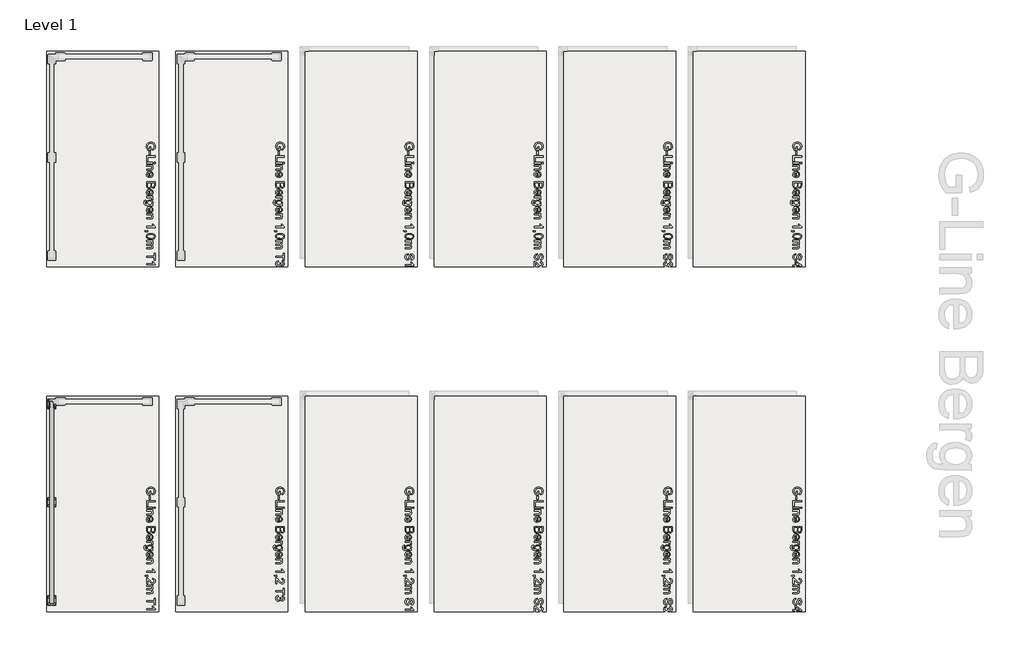
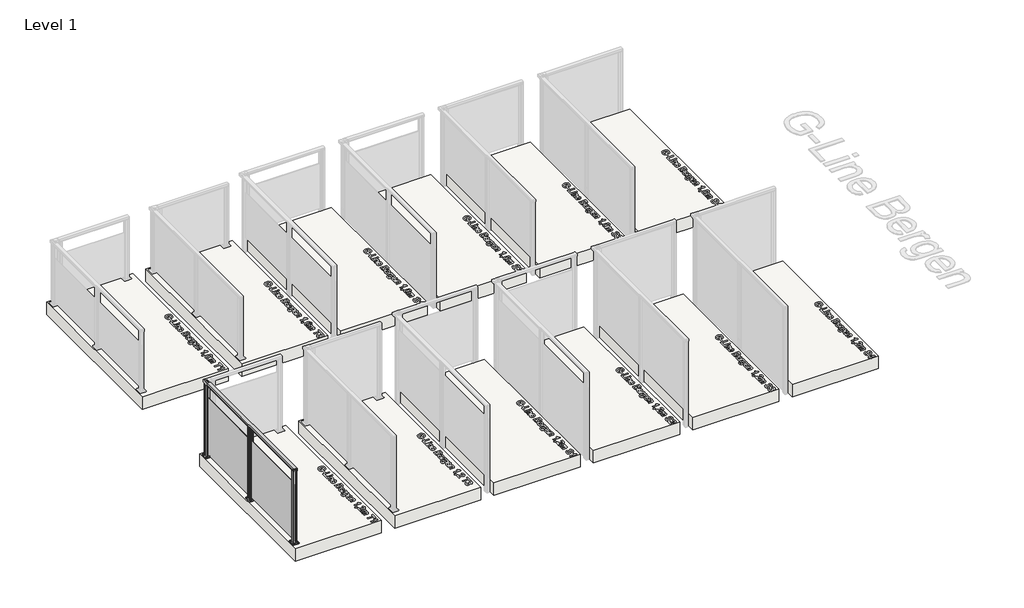
# One storey, part 1 of 13: 12 slabs, 1 railing.
"""IFC4 building model written with IfcOpenShell, lengths in millimetres."""

from ifc_helpers import new_model, si_unit, point, frame, frame_2d, origin, origin_with_axes, place, context, project, spatial, polyline, circle_curve, trimmed, segment, composite_curve, outline, extrude, element, save

model = new_model("IFC4")

# Units and contexts
model_context = context("Model", 3, world=origin())
ifc_project = project(units=[si_unit("LENGTHUNIT", "METRE", prefix="MILLI")], contexts=[model_context])

# Site, building, storey
site = spatial("IfcSite", under=ifc_project)
building = spatial("IfcBuilding", under=site)
storey = spatial("IfcBuildingStorey", under=building, Name="Level 1", Elevation=0.0)

# Railing
placement = place(None, origin())
element("IfcRailing", 1, at=placement, inside=storey, context=model_context, shape_type="SweptSolid", body=[
    extrude(outline(composite_curve([segment(trimmed(circle_curve(frame_2d((57.3214498, -0.0047199)), 57.3235687), [point((5.8609941, -25.2596802))], [point((5.8657742, 25.2599781))], False, "CARTESIAN"), True, "CONTINUOUS"), segment(polyline([(5.8657742, 25.2599781), (32.9764977, 25.2599781), (33.5584294, 24.6780464), (34.1805105, 25.3001274), (42.7501153, 25.3001274), (42.7501153, 23.4951745), (19.5001171, 23.4951745), (19.5001171, -23.4998716), (42.7501153, -23.4998716), (42.7501153, -25.2596802), (34.0305105, -25.2596802), (33.4157275, -24.6448972), (32.8009445, -25.2596802), (5.8609941, -25.2596802)]), True, "CONTINUOUS")], self_intersect=False)), frame((-5736.9909016, -4039.6459103, 1200.0), z_axis=(1.9358301858992035e-12, 1.0, 0.0), x_axis=(0.0, 0.0, -1.0)), (0.0, 0.0, 1.0), 2340.0),
    extrude(outline(polyline([(-5742.0909978, -1699.6459103), (-5733.3309978, -1699.6459103), (-5733.3309978, -4039.6459103), (-5742.0909978, -4039.6459103), (-5742.0909978, -1699.6459103)])), frame((0.0, 0.0, 40.0), z_axis=(0.0, 0.0, 1.0), x_axis=(1.0, 0.0, 0.0)), (0.0, 0.0, 1.0), 910.0),
    extrude(outline(composite_curve([segment(trimmed(circle_curve(frame_2d((-5767.7109978, -2829.6459103)), 11.9621755), [point((-5779.6731733, -2829.6459103))], [point((-5755.7488224, -2829.6459103))], False, "CARTESIAN"), True, "CONTINUOUS"), segment(trimmed(circle_curve(frame_2d((-5767.7109978, -2829.6459103)), 11.9621755), [point((-5755.7488224, -2829.6459103))], [point((-5779.6731733, -2829.6459103))], False, "CARTESIAN"), True, "CONTINUOUS")], self_intersect=False)), frame((0.0, 0.0, 10.0), z_axis=(0.0, 0.0, 1.0), x_axis=(1.0, 0.0, 0.0)), (0.0, 0.0, 1.0), 5.0),
    extrude(outline(composite_curve([segment(trimmed(circle_curve(frame_2d((-5707.7109978, -2829.6459103)), 11.9621755), [point((-5719.6731733, -2829.6459103))], [point((-5695.7488224, -2829.6459103))], False, "CARTESIAN"), True, "CONTINUOUS"), segment(trimmed(circle_curve(frame_2d((-5707.7109978, -2829.6459103)), 11.9621755), [point((-5695.7488224, -2829.6459103))], [point((-5719.6731733, -2829.6459103))], False, "CARTESIAN"), True, "CONTINUOUS")], self_intersect=False)), frame((0.0, 0.0, 10.0), z_axis=(0.0, 0.0, 1.0), x_axis=(1.0, 0.0, 0.0)), (0.0, 0.0, 1.0), 5.0),
    extrude(outline(composite_curve([segment(trimmed(circle_curve(frame_2d((-5767.7109978, -2909.6459103)), 11.9621755), [point((-5779.6731733, -2909.6459103))], [point((-5755.7488224, -2909.6459103))], False, "CARTESIAN"), True, "CONTINUOUS"), segment(trimmed(circle_curve(frame_2d((-5767.7109978, -2909.6459103)), 11.9621755), [point((-5755.7488224, -2909.6459103))], [point((-5779.6731733, -2909.6459103))], False, "CARTESIAN"), True, "CONTINUOUS")], self_intersect=False)), frame((0.0, 0.0, 10.0), z_axis=(0.0, 0.0, 1.0), x_axis=(1.0, 0.0, 0.0)), (0.0, 0.0, 1.0), 5.0),
    extrude(outline(composite_curve([segment(trimmed(circle_curve(frame_2d((-5707.7109978, -2909.6459103)), 11.9621755), [point((-5719.6731733, -2909.6459103))], [point((-5695.7488224, -2909.6459103))], False, "CARTESIAN"), True, "CONTINUOUS"), segment(trimmed(circle_curve(frame_2d((-5707.7109978, -2909.6459103)), 11.9621755), [point((-5695.7488224, -2909.6459103))], [point((-5719.6731733, -2909.6459103))], False, "CARTESIAN"), True, "CONTINUOUS")], self_intersect=False)), frame((0.0, 0.0, 10.0), z_axis=(0.0, 0.0, 1.0), x_axis=(1.0, 0.0, 0.0)), (0.0, 0.0, 1.0), 5.0),
    extrude(outline(composite_curve([segment(trimmed(circle_curve(frame_2d((-5697.7109978, -2819.6459103)), 5.0), [point((-5697.7109978, -2814.6459103))], [point((-5692.7109978, -2819.6459103))], False, "CARTESIAN"), True, "CONTINUOUS"), segment(polyline([(-5692.7109978, -2819.6459103), (-5692.7109978, -2919.6459103)]), True, "CONTINUOUS"), segment(trimmed(circle_curve(frame_2d((-5697.7109978, -2919.6459103)), 5.0), [point((-5692.7109978, -2919.6459103))], [point((-5697.7109978, -2924.6459103))], False, "CARTESIAN"), True, "CONTINUOUS"), segment(polyline([(-5697.7109978, -2924.6459103), (-5777.7109978, -2924.6459103)]), True, "CONTINUOUS"), segment(trimmed(circle_curve(frame_2d((-5777.7109978, -2919.6459103)), 5.0), [point((-5777.7109978, -2924.6459103))], [point((-5782.7109978, -2919.6459103))], False, "CARTESIAN"), True, "CONTINUOUS"), segment(polyline([(-5782.7109978, -2919.6459103), (-5782.7109978, -2819.6459103)]), True, "CONTINUOUS"), segment(trimmed(circle_curve(frame_2d((-5777.7109978, -2819.6459103)), 5.0), [point((-5782.7109978, -2819.6459103))], [point((-5777.7109978, -2814.6459103))], False, "CARTESIAN"), True, "CONTINUOUS"), segment(polyline([(-5777.7109978, -2814.6459103), (-5697.7109978, -2814.6459103)]), True, "CONTINUOUS")], self_intersect=False), holes=[composite_curve([segment(trimmed(circle_curve(frame_2d((-5707.7109978, -2829.6459103)), 6.25), [point((-5713.9609978, -2829.6459103))], [point((-5701.4609978, -2829.6459103))], True, "CARTESIAN"), True, "CONTINUOUS"), segment(trimmed(circle_curve(frame_2d((-5707.7109978, -2829.6459103)), 6.25), [point((-5701.4609978, -2829.6459103))], [point((-5713.9609978, -2829.6459103))], True, "CARTESIAN"), True, "CONTINUOUS")], self_intersect=False), composite_curve([segment(trimmed(circle_curve(frame_2d((-5767.7109978, -2829.6459103)), 6.25), [point((-5773.9609978, -2829.6459103))], [point((-5761.4609978, -2829.6459103))], True, "CARTESIAN"), True, "CONTINUOUS"), segment(trimmed(circle_curve(frame_2d((-5767.7109978, -2829.6459103)), 6.25), [point((-5761.4609978, -2829.6459103))], [point((-5773.9609978, -2829.6459103))], True, "CARTESIAN"), True, "CONTINUOUS")], self_intersect=False), composite_curve([segment(trimmed(circle_curve(frame_2d((-5767.7109978, -2909.6459103)), 6.25), [point((-5773.9609978, -2909.6459103))], [point((-5761.4609978, -2909.6459103))], True, "CARTESIAN"), True, "CONTINUOUS"), segment(trimmed(circle_curve(frame_2d((-5767.7109978, -2909.6459103)), 6.25), [point((-5761.4609978, -2909.6459103))], [point((-5773.9609978, -2909.6459103))], True, "CARTESIAN"), True, "CONTINUOUS")], self_intersect=False), composite_curve([segment(trimmed(circle_curve(frame_2d((-5707.7109978, -2909.6459103)), 6.25), [point((-5713.9609978, -2909.6459103))], [point((-5701.4609978, -2909.6459103))], True, "CARTESIAN"), True, "CONTINUOUS"), segment(trimmed(circle_curve(frame_2d((-5707.7109978, -2909.6459103)), 6.25), [point((-5701.4609978, -2909.6459103))], [point((-5713.9609978, -2909.6459103))], True, "CARTESIAN"), True, "CONTINUOUS")], self_intersect=False)]), origin_with_axes(), (0.0, 0.0, 1.0), 10.0),
    extrude(outline(polyline([(-5742.0568598, -2899.6443172), (-5760.2018596, -2899.6469894), (-5760.2061255, -2870.6800024), (-5759.1779842, -2869.6515582), (-5760.1663738, -2868.6634597), (-5760.170647, -2839.6469842), (-5742.0656959, -2839.6443179), (-5742.0631187, -2857.1443177), (-5733.3031188, -2857.1430276), (-5733.305696, -2839.6430278), (-5715.2106962, -2839.640363), (-5715.2064303, -2868.60735), (-5716.1247626, -2869.6452178), (-5715.2463405, -2870.5233813), (-5715.2420524, -2899.6403682), (-5733.2968599, -2899.6430272), (-5733.2994371, -2882.1430273), (-5742.059437, -2882.1443174), (-5742.0568598, -2899.6443172)]), holes=[polyline([(-5717.2049821, -2860.8466953), (-5758.2075736, -2860.8466953), (-5758.2075736, -2878.4406571), (-5717.2049821, -2878.4406571), (-5717.2049821, -2860.8466953)]), polyline([(-5744.0628683, -2841.6466955), (-5758.2104012, -2841.6466955), (-5758.2104012, -2858.8446122), (-5744.0628683, -2858.8446122), (-5744.0628683, -2841.6466955)]), polyline([(-5717.2049821, -2841.6427333), (-5731.3054015, -2841.6427333), (-5731.3054015, -2858.8406569), (-5717.2049821, -2858.8406569), (-5717.2049821, -2841.6427333)]), polyline([(-5744.0571543, -2880.4466951), (-5758.2046872, -2880.4466951), (-5758.2046872, -2897.6446118), (-5744.0571543, -2897.6446118), (-5744.0571543, -2880.4466951)]), polyline([(-5717.1521546, -2880.4427328), (-5731.2996875, -2880.4427328), (-5731.2996875, -2897.6406495), (-5717.1521546, -2897.6406495), (-5717.1521546, -2880.4427328)])]), frame((0.0, 0.0, 10.0), z_axis=(0.0, 0.0, 1.0), x_axis=(1.0, 0.0, 0.0)), (0.0, 0.0, 1.0), 1171.0),
    extrude(outline(composite_curve([segment(trimmed(circle_curve(frame_2d((-5767.7109978, -3969.6459103)), 11.9621755), [point((-5779.6731733, -3969.6459103))], [point((-5755.7488224, -3969.6459103))], False, "CARTESIAN"), True, "CONTINUOUS"), segment(trimmed(circle_curve(frame_2d((-5767.7109978, -3969.6459103)), 11.9621755), [point((-5755.7488224, -3969.6459103))], [point((-5779.6731733, -3969.6459103))], False, "CARTESIAN"), True, "CONTINUOUS")], self_intersect=False)), frame((0.0, 0.0, 10.0), z_axis=(0.0, 0.0, 1.0), x_axis=(1.0, 0.0, 0.0)), (0.0, 0.0, 1.0), 5.0),
    extrude(outline(composite_curve([segment(trimmed(circle_curve(frame_2d((-5707.7109978, -3969.6459103)), 11.9621755), [point((-5719.6731733, -3969.6459103))], [point((-5695.7488224, -3969.6459103))], False, "CARTESIAN"), True, "CONTINUOUS"), segment(trimmed(circle_curve(frame_2d((-5707.7109978, -3969.6459103)), 11.9621755), [point((-5695.7488224, -3969.6459103))], [point((-5719.6731733, -3969.6459103))], False, "CARTESIAN"), True, "CONTINUOUS")], self_intersect=False)), frame((0.0, 0.0, 10.0), z_axis=(0.0, 0.0, 1.0), x_axis=(1.0, 0.0, 0.0)), (0.0, 0.0, 1.0), 5.0),
    extrude(outline(composite_curve([segment(trimmed(circle_curve(frame_2d((-5767.7109978, -4049.6459103)), 11.9621755), [point((-5779.6731733, -4049.6459103))], [point((-5755.7488224, -4049.6459103))], False, "CARTESIAN"), True, "CONTINUOUS"), segment(trimmed(circle_curve(frame_2d((-5767.7109978, -4049.6459103)), 11.9621755), [point((-5755.7488224, -4049.6459103))], [point((-5779.6731733, -4049.6459103))], False, "CARTESIAN"), True, "CONTINUOUS")], self_intersect=False)), frame((0.0, 0.0, 10.0), z_axis=(0.0, 0.0, 1.0), x_axis=(1.0, 0.0, 0.0)), (0.0, 0.0, 1.0), 5.0),
    extrude(outline(composite_curve([segment(trimmed(circle_curve(frame_2d((-5707.7109978, -4049.6459103)), 11.9621755), [point((-5719.6731733, -4049.6459103))], [point((-5695.7488224, -4049.6459103))], False, "CARTESIAN"), True, "CONTINUOUS"), segment(trimmed(circle_curve(frame_2d((-5707.7109978, -4049.6459103)), 11.9621755), [point((-5695.7488224, -4049.6459103))], [point((-5719.6731733, -4049.6459103))], False, "CARTESIAN"), True, "CONTINUOUS")], self_intersect=False)), frame((0.0, 0.0, 10.0), z_axis=(0.0, 0.0, 1.0), x_axis=(1.0, 0.0, 0.0)), (0.0, 0.0, 1.0), 5.0),
    extrude(outline(composite_curve([segment(trimmed(circle_curve(frame_2d((-5697.7109978, -3959.6459103)), 5.0), [point((-5697.7109978, -3954.6459103))], [point((-5692.7109978, -3959.6459103))], False, "CARTESIAN"), True, "CONTINUOUS"), segment(polyline([(-5692.7109978, -3959.6459103), (-5692.7109978, -4059.6459103)]), True, "CONTINUOUS"), segment(trimmed(circle_curve(frame_2d((-5697.7109978, -4059.6459103)), 5.0), [point((-5692.7109978, -4059.6459103))], [point((-5697.7109978, -4064.6459103))], False, "CARTESIAN"), True, "CONTINUOUS"), segment(polyline([(-5697.7109978, -4064.6459103), (-5777.7109978, -4064.6459103)]), True, "CONTINUOUS"), segment(trimmed(circle_curve(frame_2d((-5777.7109978, -4059.6459103)), 5.0), [point((-5777.7109978, -4064.6459103))], [point((-5782.7109978, -4059.6459103))], False, "CARTESIAN"), True, "CONTINUOUS"), segment(polyline([(-5782.7109978, -4059.6459103), (-5782.7109978, -3959.6459103)]), True, "CONTINUOUS"), segment(trimmed(circle_curve(frame_2d((-5777.7109978, -3959.6459103)), 5.0), [point((-5782.7109978, -3959.6459103))], [point((-5777.7109978, -3954.6459103))], False, "CARTESIAN"), True, "CONTINUOUS"), segment(polyline([(-5777.7109978, -3954.6459103), (-5697.7109978, -3954.6459103)]), True, "CONTINUOUS")], self_intersect=False), holes=[composite_curve([segment(trimmed(circle_curve(frame_2d((-5707.7109978, -3969.6459103)), 6.25), [point((-5713.9609978, -3969.6459103))], [point((-5701.4609978, -3969.6459103))], True, "CARTESIAN"), True, "CONTINUOUS"), segment(trimmed(circle_curve(frame_2d((-5707.7109978, -3969.6459103)), 6.25), [point((-5701.4609978, -3969.6459103))], [point((-5713.9609978, -3969.6459103))], True, "CARTESIAN"), True, "CONTINUOUS")], self_intersect=False), composite_curve([segment(trimmed(circle_curve(frame_2d((-5767.7109978, -3969.6459103)), 6.25), [point((-5773.9609978, -3969.6459103))], [point((-5761.4609978, -3969.6459103))], True, "CARTESIAN"), True, "CONTINUOUS"), segment(trimmed(circle_curve(frame_2d((-5767.7109978, -3969.6459103)), 6.25), [point((-5761.4609978, -3969.6459103))], [point((-5773.9609978, -3969.6459103))], True, "CARTESIAN"), True, "CONTINUOUS")], self_intersect=False), composite_curve([segment(trimmed(circle_curve(frame_2d((-5767.7109978, -4049.6459103)), 6.25), [point((-5773.9609978, -4049.6459103))], [point((-5761.4609978, -4049.6459103))], True, "CARTESIAN"), True, "CONTINUOUS"), segment(trimmed(circle_curve(frame_2d((-5767.7109978, -4049.6459103)), 6.25), [point((-5761.4609978, -4049.6459103))], [point((-5773.9609978, -4049.6459103))], True, "CARTESIAN"), True, "CONTINUOUS")], self_intersect=False), composite_curve([segment(trimmed(circle_curve(frame_2d((-5707.7109978, -4049.6459103)), 6.25), [point((-5713.9609978, -4049.6459103))], [point((-5701.4609978, -4049.6459103))], True, "CARTESIAN"), True, "CONTINUOUS"), segment(trimmed(circle_curve(frame_2d((-5707.7109978, -4049.6459103)), 6.25), [point((-5701.4609978, -4049.6459103))], [point((-5713.9609978, -4049.6459103))], True, "CARTESIAN"), True, "CONTINUOUS")], self_intersect=False)]), origin_with_axes(), (0.0, 0.0, 1.0), 10.0),
    extrude(outline(polyline([(-5742.0568598, -4039.6443172), (-5760.2018596, -4039.6469894), (-5760.2061255, -4010.6800024), (-5759.1779842, -4009.6515582), (-5760.1663738, -4008.6634597), (-5760.170647, -3979.6469842), (-5742.0656959, -3979.6443179), (-5742.0631187, -3997.1443177), (-5733.3031188, -3997.1430276), (-5733.305696, -3979.6430278), (-5715.2106962, -3979.640363), (-5715.2064303, -4008.60735), (-5716.1247626, -4009.6452178), (-5715.2463405, -4010.5233813), (-5715.2420525, -4039.6403682), (-5733.2968599, -4039.6430272), (-5733.2994371, -4022.1430273), (-5742.059437, -4022.1443174), (-5742.0568598, -4039.6443172)]), holes=[polyline([(-5717.2049821, -4000.8466953), (-5758.2075736, -4000.8466953), (-5758.2075736, -4018.4406571), (-5717.2049821, -4018.4406571), (-5717.2049821, -4000.8466953)]), polyline([(-5744.0628683, -3981.6466955), (-5758.2104012, -3981.6466955), (-5758.2104012, -3998.8446122), (-5744.0628683, -3998.8446122), (-5744.0628683, -3981.6466955)]), polyline([(-5717.2049821, -3981.6427333), (-5731.3054015, -3981.6427333), (-5731.3054015, -3998.8406569), (-5717.2049821, -3998.8406569), (-5717.2049821, -3981.6427333)]), polyline([(-5744.0571543, -4020.4466951), (-5758.2046872, -4020.4466951), (-5758.2046872, -4037.6446118), (-5744.0571543, -4037.6446118), (-5744.0571543, -4020.4466951)]), polyline([(-5717.1521546, -4020.4427328), (-5731.2996875, -4020.4427328), (-5731.2996875, -4037.6406495), (-5717.1521546, -4037.6406495), (-5717.1521546, -4020.4427328)])]), frame((0.0, 0.0, 10.0), z_axis=(0.0, 0.0, 1.0), x_axis=(1.0, 0.0, 0.0)), (0.0, 0.0, 1.0), 1171.0),
    extrude(outline(composite_curve([segment(trimmed(circle_curve(frame_2d((-5767.7109978, -1689.6459103)), 11.9621755), [point((-5779.6731733, -1689.6459103))], [point((-5755.7488224, -1689.6459103))], False, "CARTESIAN"), True, "CONTINUOUS"), segment(trimmed(circle_curve(frame_2d((-5767.7109978, -1689.6459103)), 11.9621755), [point((-5755.7488224, -1689.6459103))], [point((-5779.6731733, -1689.6459103))], False, "CARTESIAN"), True, "CONTINUOUS")], self_intersect=False)), frame((0.0, 0.0, 10.0), z_axis=(0.0, 0.0, 1.0), x_axis=(1.0, 0.0, 0.0)), (0.0, 0.0, 1.0), 5.0),
    extrude(outline(composite_curve([segment(trimmed(circle_curve(frame_2d((-5707.7109978, -1689.6459103)), 11.9621755), [point((-5719.6731733, -1689.6459103))], [point((-5695.7488224, -1689.6459103))], False, "CARTESIAN"), True, "CONTINUOUS"), segment(trimmed(circle_curve(frame_2d((-5707.7109978, -1689.6459103)), 11.9621755), [point((-5695.7488224, -1689.6459103))], [point((-5719.6731733, -1689.6459103))], False, "CARTESIAN"), True, "CONTINUOUS")], self_intersect=False)), frame((0.0, 0.0, 10.0), z_axis=(0.0, 0.0, 1.0), x_axis=(1.0, 0.0, 0.0)), (0.0, 0.0, 1.0), 5.0),
    extrude(outline(composite_curve([segment(trimmed(circle_curve(frame_2d((-5767.7109978, -1769.6459103)), 11.9621755), [point((-5779.6731733, -1769.6459103))], [point((-5755.7488224, -1769.6459103))], False, "CARTESIAN"), True, "CONTINUOUS"), segment(trimmed(circle_curve(frame_2d((-5767.7109978, -1769.6459103)), 11.9621755), [point((-5755.7488224, -1769.6459103))], [point((-5779.6731733, -1769.6459103))], False, "CARTESIAN"), True, "CONTINUOUS")], self_intersect=False)), frame((0.0, 0.0, 10.0), z_axis=(0.0, 0.0, 1.0), x_axis=(1.0, 0.0, 0.0)), (0.0, 0.0, 1.0), 5.0),
    extrude(outline(composite_curve([segment(trimmed(circle_curve(frame_2d((-5707.7109978, -1769.6459103)), 11.9621755), [point((-5719.6731733, -1769.6459103))], [point((-5695.7488224, -1769.6459103))], False, "CARTESIAN"), True, "CONTINUOUS"), segment(trimmed(circle_curve(frame_2d((-5707.7109978, -1769.6459103)), 11.9621755), [point((-5695.7488224, -1769.6459103))], [point((-5719.6731733, -1769.6459103))], False, "CARTESIAN"), True, "CONTINUOUS")], self_intersect=False)), frame((0.0, 0.0, 10.0), z_axis=(0.0, 0.0, 1.0), x_axis=(1.0, 0.0, 0.0)), (0.0, 0.0, 1.0), 5.0),
    extrude(outline(composite_curve([segment(trimmed(circle_curve(frame_2d((-5697.7109978, -1679.6459103)), 5.0), [point((-5697.7109978, -1674.6459103))], [point((-5692.7109978, -1679.6459103))], False, "CARTESIAN"), True, "CONTINUOUS"), segment(polyline([(-5692.7109978, -1679.6459103), (-5692.7109978, -1779.6459103)]), True, "CONTINUOUS"), segment(trimmed(circle_curve(frame_2d((-5697.7109978, -1779.6459103)), 5.0), [point((-5692.7109978, -1779.6459103))], [point((-5697.7109978, -1784.6459103))], False, "CARTESIAN"), True, "CONTINUOUS"), segment(polyline([(-5697.7109978, -1784.6459103), (-5777.7109978, -1784.6459103)]), True, "CONTINUOUS"), segment(trimmed(circle_curve(frame_2d((-5777.7109978, -1779.6459103)), 5.0), [point((-5777.7109978, -1784.6459103))], [point((-5782.7109978, -1779.6459103))], False, "CARTESIAN"), True, "CONTINUOUS"), segment(polyline([(-5782.7109978, -1779.6459103), (-5782.7109978, -1679.6459103)]), True, "CONTINUOUS"), segment(trimmed(circle_curve(frame_2d((-5777.7109978, -1679.6459103)), 5.0), [point((-5782.7109978, -1679.6459103))], [point((-5777.7109978, -1674.6459103))], False, "CARTESIAN"), True, "CONTINUOUS"), segment(polyline([(-5777.7109978, -1674.6459103), (-5697.7109978, -1674.6459103)]), True, "CONTINUOUS")], self_intersect=False), holes=[composite_curve([segment(trimmed(circle_curve(frame_2d((-5707.7109978, -1689.6459103)), 6.25), [point((-5713.9609978, -1689.6459103))], [point((-5701.4609978, -1689.6459103))], True, "CARTESIAN"), True, "CONTINUOUS"), segment(trimmed(circle_curve(frame_2d((-5707.7109978, -1689.6459103)), 6.25), [point((-5701.4609978, -1689.6459103))], [point((-5713.9609978, -1689.6459103))], True, "CARTESIAN"), True, "CONTINUOUS")], self_intersect=False), composite_curve([segment(trimmed(circle_curve(frame_2d((-5767.7109978, -1689.6459103)), 6.25), [point((-5773.9609978, -1689.6459103))], [point((-5761.4609978, -1689.6459103))], True, "CARTESIAN"), True, "CONTINUOUS"), segment(trimmed(circle_curve(frame_2d((-5767.7109978, -1689.6459103)), 6.25), [point((-5761.4609978, -1689.6459103))], [point((-5773.9609978, -1689.6459103))], True, "CARTESIAN"), True, "CONTINUOUS")], self_intersect=False), composite_curve([segment(trimmed(circle_curve(frame_2d((-5767.7109978, -1769.6459103)), 6.25), [point((-5773.9609978, -1769.6459103))], [point((-5761.4609978, -1769.6459103))], True, "CARTESIAN"), True, "CONTINUOUS"), segment(trimmed(circle_curve(frame_2d((-5767.7109978, -1769.6459103)), 6.25), [point((-5761.4609978, -1769.6459103))], [point((-5773.9609978, -1769.6459103))], True, "CARTESIAN"), True, "CONTINUOUS")], self_intersect=False), composite_curve([segment(trimmed(circle_curve(frame_2d((-5707.7109978, -1769.6459103)), 6.25), [point((-5713.9609978, -1769.6459103))], [point((-5701.4609978, -1769.6459103))], True, "CARTESIAN"), True, "CONTINUOUS"), segment(trimmed(circle_curve(frame_2d((-5707.7109978, -1769.6459103)), 6.25), [point((-5701.4609978, -1769.6459103))], [point((-5713.9609978, -1769.6459103))], True, "CARTESIAN"), True, "CONTINUOUS")], self_intersect=False)]), origin_with_axes(), (0.0, 0.0, 1.0), 10.0),
    extrude(outline(polyline([(-5742.0568598, -1759.6443172), (-5760.2018596, -1759.6469894), (-5760.2061255, -1730.6800024), (-5759.1779842, -1729.6515582), (-5760.1663738, -1728.6634597), (-5760.170647, -1699.6469842), (-5742.0656959, -1699.6443179), (-5742.0631187, -1717.1443177), (-5733.3031188, -1717.1430276), (-5733.305696, -1699.6430278), (-5715.2106962, -1699.640363), (-5715.2064303, -1728.60735), (-5716.1247626, -1729.6452178), (-5715.2463405, -1730.5233813), (-5715.2420524, -1759.6403682), (-5733.2968599, -1759.6430272), (-5733.2994371, -1742.1430273), (-5742.059437, -1742.1443174), (-5742.0568598, -1759.6443172)]), holes=[polyline([(-5717.2049821, -1720.8466953), (-5758.2075736, -1720.8466953), (-5758.2075736, -1738.4406571), (-5717.2049821, -1738.4406571), (-5717.2049821, -1720.8466953)]), polyline([(-5744.0628683, -1701.6466955), (-5758.2104012, -1701.6466955), (-5758.2104012, -1718.8446122), (-5744.0628683, -1718.8446122), (-5744.0628683, -1701.6466955)]), polyline([(-5717.2049821, -1701.6427333), (-5731.3054015, -1701.6427333), (-5731.3054015, -1718.8406569), (-5717.2049821, -1718.8406569), (-5717.2049821, -1701.6427333)]), polyline([(-5744.0571543, -1740.4466951), (-5758.2046872, -1740.4466951), (-5758.2046872, -1757.6446118), (-5744.0571543, -1757.6446118), (-5744.0571543, -1740.4466951)]), polyline([(-5717.1521546, -1740.4427328), (-5731.2996875, -1740.4427328), (-5731.2996875, -1757.6406495), (-5717.1521546, -1757.6406495), (-5717.1521546, -1740.4427328)])]), frame((0.0, 0.0, 10.0), z_axis=(0.0, 0.0, 1.0), x_axis=(1.0, 0.0, 0.0)), (0.0, 0.0, 1.0), 1171.0),
])

# Slabs
element("IfcSlab", 2, ObjectType="Generic Floor - 400mm", at=placement, inside=storey, context=model_context, shape_type="SweptSolid", body=[
    extrude(outline(polyline([(-5797.7109978, -139.6459103), (-5797.7109978, 2360.3540897), (-4497.7109978, 2360.3540897), (-4497.7109978, -139.6459103), (-5797.7109978, -139.6459103)])), frame((0.0, 0.0, -200.0), z_axis=(0.0, 0.0, 1.0), x_axis=(1.0, 0.0, 0.0)), (0.0, 0.0, 1.0), 200.0),
])
element("IfcSlab", 3, ObjectType="Generic Floor - 400mm", at=placement, inside=storey, context=model_context, shape_type="SweptSolid", body=[
    extrude(outline(polyline([(-4297.7109978, -139.6459103), (-4297.7109978, 2360.3540897), (-2997.7109978, 2360.3540897), (-2997.7109978, -139.6459103), (-4297.7109978, -139.6459103)])), frame((0.0, 0.0, -200.0), z_axis=(0.0, 0.0, 1.0), x_axis=(1.0, 0.0, 0.0)), (0.0, 0.0, 1.0), 200.0),
])
element("IfcSlab", 4, ObjectType="Generic Floor - 400mm", at=placement, inside=storey, context=model_context, shape_type="SweptSolid", body=[
    extrude(outline(polyline([(-2797.7109978, -139.6459103), (-2797.7109978, 2360.3540897), (-1497.7109978, 2360.3540897), (-1497.7109978, -139.6459103), (-2797.7109978, -139.6459103)])), frame((0.0, 0.0, -200.0), z_axis=(0.0, 0.0, 1.0), x_axis=(1.0, 0.0, 0.0)), (0.0, 0.0, 1.0), 200.0),
])
element("IfcSlab", 5, ObjectType="Generic Floor - 400mm", at=placement, inside=storey, context=model_context, shape_type="SweptSolid", body=[
    extrude(outline(polyline([(-1297.7109978, -139.6459103), (-1297.7109978, 2360.3540897), (2.2890022, 2360.3540897), (2.2890022, -139.6459103), (-1297.7109978, -139.6459103)])), frame((0.0, 0.0, -200.0), z_axis=(0.0, 0.0, 1.0), x_axis=(1.0, 0.0, 0.0)), (0.0, 0.0, 1.0), 200.0),
])
element("IfcSlab", 6, ObjectType="Generic Floor - 400mm", at=placement, inside=storey, context=model_context, shape_type="SweptSolid", body=[
    extrude(outline(polyline([(202.2890022, -139.6459103), (202.2890022, 2360.3540897), (1502.2890022, 2360.3540897), (1502.2890022, -139.6459103), (202.2890022, -139.6459103)])), frame((0.0, 0.0, -200.0), z_axis=(0.0, 0.0, 1.0), x_axis=(1.0, 0.0, 0.0)), (0.0, 0.0, 1.0), 200.0),
])
element("IfcSlab", 7, ObjectType="Generic Floor - 400mm", at=placement, inside=storey, context=model_context, shape_type="SweptSolid", body=[
    extrude(outline(polyline([(1702.2890022, -139.6459103), (1702.2890022, 2360.3540897), (3002.2890022, 2360.3540897), (3002.2890022, -139.6459103), (1702.2890022, -139.6459103)])), frame((0.0, 0.0, -200.0), z_axis=(0.0, 0.0, 1.0), x_axis=(1.0, 0.0, 0.0)), (0.0, 0.0, 1.0), 200.0),
])
element("IfcSlab", 8, ObjectType="Generic Floor - 400mm", at=placement, inside=storey, context=model_context, shape_type="SweptSolid", body=[
    extrude(outline(polyline([(-5797.7109978, -4139.6459103), (-5797.7109978, -1639.6459103), (-4497.7109978, -1639.6459103), (-4497.7109978, -4139.6459103), (-5797.7109978, -4139.6459103)])), frame((0.0, 0.0, -200.0), z_axis=(0.0, 0.0, 1.0), x_axis=(1.0, 0.0, 0.0)), (0.0, 0.0, 1.0), 200.0),
])
element("IfcSlab", 9, ObjectType="Generic Floor - 400mm", at=placement, inside=storey, context=model_context, shape_type="SweptSolid", body=[
    extrude(outline(polyline([(-4297.7109978, -4139.6459103), (-4297.7109978, -1639.6459103), (-2997.7109978, -1639.6459103), (-2997.7109978, -4139.6459103), (-4297.7109978, -4139.6459103)])), frame((0.0, 0.0, -200.0), z_axis=(0.0, 0.0, 1.0), x_axis=(1.0, 0.0, 0.0)), (0.0, 0.0, 1.0), 200.0),
])
element("IfcSlab", 10, ObjectType="Generic Floor - 400mm", at=placement, inside=storey, context=model_context, shape_type="SweptSolid", body=[
    extrude(outline(polyline([(-2797.7109978, -4139.6459103), (-2797.7109978, -1639.6459103), (-1497.7109978, -1639.6459103), (-1497.7109978, -4139.6459103), (-2797.7109978, -4139.6459103)])), frame((0.0, 0.0, -200.0), z_axis=(0.0, 0.0, 1.0), x_axis=(1.0, 0.0, 0.0)), (0.0, 0.0, 1.0), 200.0),
])
element("IfcSlab", 11, ObjectType="Generic Floor - 400mm", at=placement, inside=storey, context=model_context, shape_type="SweptSolid", body=[
    extrude(outline(polyline([(-1297.7109978, -4139.6459103), (-1297.7109978, -1639.6459103), (2.2890022, -1639.6459103), (2.2890022, -4139.6459103), (-1297.7109978, -4139.6459103)])), frame((0.0, 0.0, -200.0), z_axis=(0.0, 0.0, 1.0), x_axis=(1.0, 0.0, 0.0)), (0.0, 0.0, 1.0), 200.0),
])
element("IfcSlab", 12, ObjectType="Generic Floor - 400mm", at=placement, inside=storey, context=model_context, shape_type="SweptSolid", body=[
    extrude(outline(polyline([(202.2890022, -4139.6459103), (202.2890022, -1639.6459103), (1502.2890022, -1639.6459103), (1502.2890022, -4139.6459103), (202.2890022, -4139.6459103)])), frame((0.0, 0.0, -200.0), z_axis=(0.0, 0.0, 1.0), x_axis=(1.0, 0.0, 0.0)), (0.0, 0.0, 1.0), 200.0),
])
element("IfcSlab", 13, ObjectType="Generic Floor - 400mm", at=placement, inside=storey, context=model_context, shape_type="SweptSolid", body=[
    extrude(outline(polyline([(1702.2890022, -4139.6459103), (1702.2890022, -1639.6459103), (3002.2890022, -1639.6459103), (3002.2890022, -4139.6459103), (1702.2890022, -4139.6459103)])), frame((0.0, 0.0, -200.0), z_axis=(0.0, 0.0, 1.0), x_axis=(1.0, 0.0, 0.0)), (0.0, 0.0, 1.0), 200.0),
])

save(model, "model.ifc")
